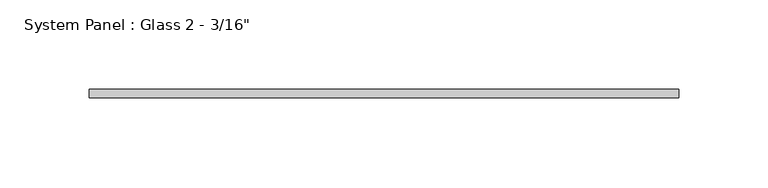
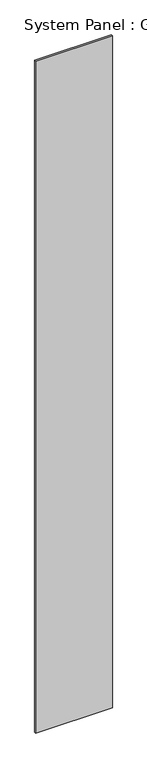
"""IFC4 building model written with IfcOpenShell, lengths in millimetres: plate geometry."""

from ifc_helpers import new_model, si_unit, origin, origin_with_axes, place, context, project, spatial, polyline, outline, extrude, source, transform, mapped, element, save


def plate_cb48601a(model_context):
    return source(origin(), model_context, "Body", "SweptSolid", [
        extrude(outline(polyline([(165.1, -11.1125), (-165.1, -11.1125), (-165.1, -6.35), (165.1, -6.35), (165.1, -11.1125)])), origin_with_axes(), (0.0, 0.0, 1.0), 3048.0),
    ])


if __name__ == "__main__":
    model = new_model("IFC4")
    model_context = context("Model", 3, world=origin())
    ifc_project = project(units=[si_unit("LENGTHUNIT", "METRE", prefix="MILLI")], contexts=[model_context])
    site = spatial("IfcSite", under=ifc_project)
    building = spatial("IfcBuilding", under=site)
    placement = place(None, origin())
    plate_shape = plate_cb48601a(model_context)
    element("IfcPlate", 1, ObjectType="System Panel : Glass 2 - 3/16\"", at=placement, inside=building, context=model_context, shape_type="MappedRepresentation", body=[
        mapped(plate_shape, transform((0.0, 0.0, 0.0), x_axis=(1.0, 0.0, 0.0), y_axis=(0.0, 1.0, 0.0), z_axis=(0.0, 0.0, 1.0))),
    ])
    save(model, "model.ifc")
